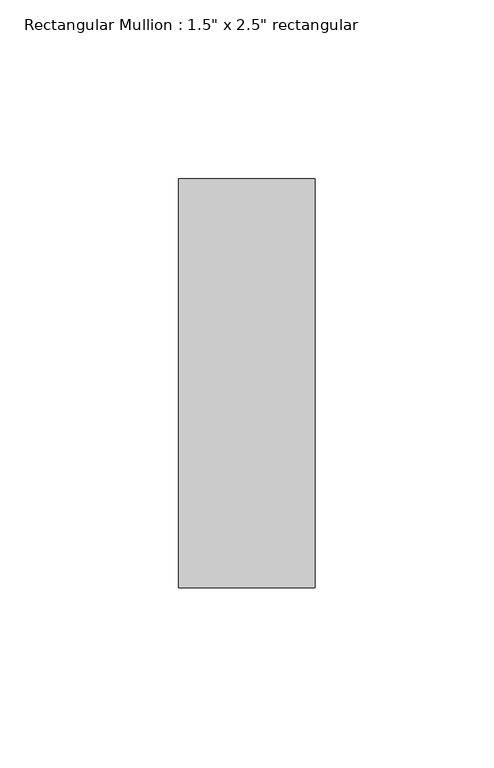
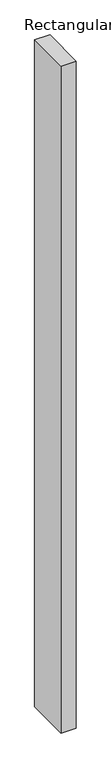
"""IFC4 building model written with IfcOpenShell, lengths in millimetres: member geometry."""

from ifc_helpers import new_model, si_unit, frame, origin, place, context, project, spatial, polyline, outline, extrude, source, transform, mapped, element, save


def member_4873a2bb(model_context):
    return source(origin(), model_context, "Body", "SweptSolid", [
        extrude(outline(polyline([(19.05, 57.15), (19.05, -57.15), (-19.05, -57.15), (-19.05, 57.15), (19.05, 57.15)])), frame((0.0, 0.0, -1771.65), z_axis=(0.0, 0.0, 1.0), x_axis=(1.0, 0.0, 0.0)), (0.0, 0.0, 1.0), 1771.65),
    ])


if __name__ == "__main__":
    model = new_model("IFC4")
    model_context = context("Model", 3, world=origin())
    ifc_project = project(units=[si_unit("LENGTHUNIT", "METRE", prefix="MILLI")], contexts=[model_context])
    site = spatial("IfcSite", under=ifc_project)
    building = spatial("IfcBuilding", under=site)
    placement = place(None, origin())
    member_shape = member_4873a2bb(model_context)
    element("IfcMember", 1, ObjectType="Rectangular Mullion : 1.5\" x 2.5\" rectangular", at=placement, inside=building, context=model_context, shape_type="MappedRepresentation", body=[
        mapped(member_shape, transform((0.0, 0.0, 0.0), x_axis=(1.0, 0.0, 0.0), y_axis=(0.0, 1.0, 0.0), z_axis=(0.0, 0.0, 1.0))),
    ])
    save(model, "model.ifc")
